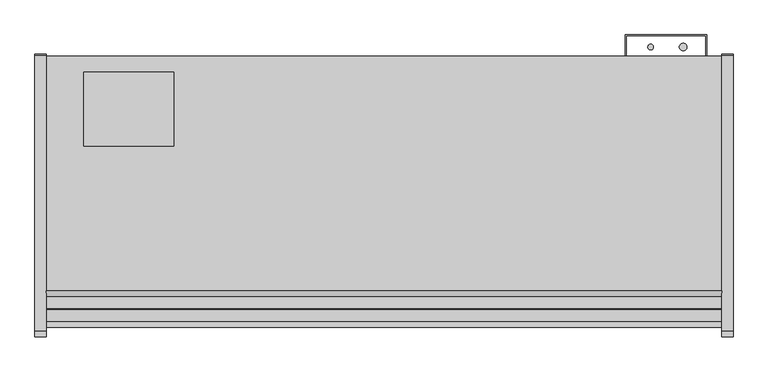
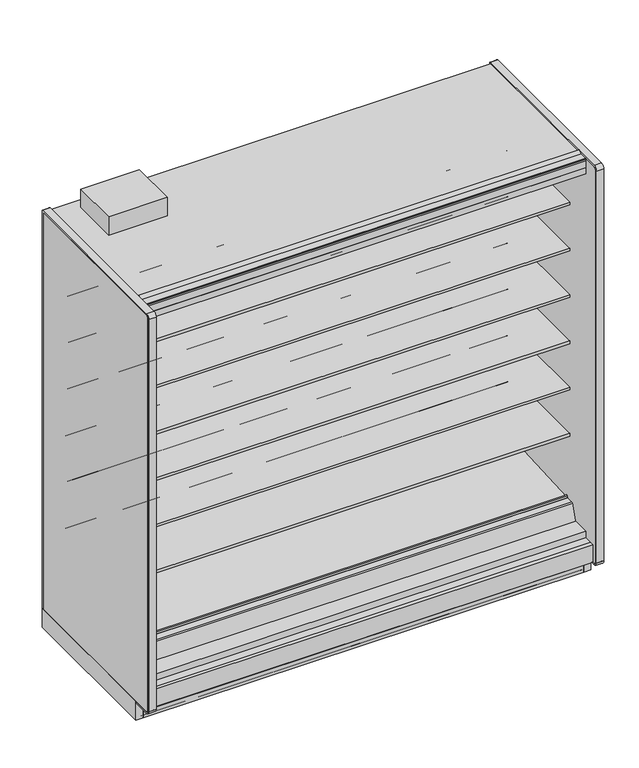
"""IFC4 building model written with IfcOpenShell, lengths in millimetres: proxy geometry."""

from ifc_helpers import new_model, si_unit, point, frame, frame_2d, origin, origin_with_axes, place, context, project, spatial, polyline, circle_curve, trimmed, segment, composite_curve, outline, extrude, source, transform, mapped, element, save
from ifc_brep_helpers import plane_surface, cylinder_surface, revolved_surface, advanced_brep


def mechanical_equipment_283d0d60(model_context):
    return source(origin(), model_context, "Body", "SolidModel", [
        advanced_brep(
        [(2286.0, -561.9634035, 344.1848334), (2286.0, -564.2429044, 345.4296812), (2286.0, -1026.8895371, 320.6518015), (2286.0, -1030.5933535, 323.8714799), (2286.0, -1031.0840219, 329.4798433), (2286.0, -1038.0719408, 329.6038293), (2286.0, -1036.3912863, 310.3938498), (2286.0, -1029.7331167, 304.6059909), (2286.0, -564.0987232, 329.0088554), (2286.0, -561.0984251, 332.412155), (0.0, -561.9634035, 344.1848334), (0.0, -561.0984251, 332.412155), (0.0, -564.0987232, 329.0088554), (0.0, -1029.7331167, 304.6059909), (0.0, -1036.3912863, 310.3938498), (0.0, -1038.0719408, 329.6038293), (0.0, -1031.1453592, 329.474477), (0.0, -1030.5933535, 323.8714799), (0.0, -1026.8895371, 320.6518015), (0.0, -564.2429044, 345.4296812)],
        [
            (0, 1, circle_curve(frame((2286.0, -564.1846976, 342.8267904), z_axis=(1.0, 0.0, 0.0), x_axis=(0.0, 1.0, 0.0)), 2.6035415)),
            (1, 2),
            (2, 3, circle_curve(frame((2286.0, -1027.074408, 324.1793478), z_axis=(-1.0, 0.0, 0.0), x_axis=(0.0, 1.0, 0.0)), 3.5323874)),
            (3, 4),
            (4, 5, circle_curve(frame((2286.0, -1034.6155275, 329.1708765), z_axis=(1.0, 0.0, 0.0), x_axis=(0.0, 1.0, 0.0)), 3.4834238)),
            (5, 6),
            (6, 7, circle_curve(frame((2286.0, -1030.06545, 310.9472884), z_axis=(1.0, 0.0, 0.0), x_axis=(0.0, 1.0, 0.0)), 6.35)),
            (7, 8),
            (8, 9, circle_curve(frame((2286.0, -564.2648898, 332.1795042), z_axis=(1.0, 0.0, 0.0), x_axis=(0.0, 1.0, 0.0)), 3.175)),
            (9, 0),
            (10, 11),
            (11, 12, circle_curve(frame((0.0, -564.2648898, 332.1795042), z_axis=(-1.0, 0.0, 0.0), x_axis=(0.0, 1.0, 0.0)), 3.175)),
            (12, 13),
            (13, 14, circle_curve(frame((0.0, -1030.06545, 310.9472884), z_axis=(-1.0, 0.0, 0.0), x_axis=(0.0, 1.0, 0.0)), 6.35)),
            (14, 15),
            (15, 16, circle_curve(frame((0.0, -1034.6155275, 329.1708765), z_axis=(-1.0, 0.0, 0.0), x_axis=(0.0, 1.0, 0.0)), 3.4834238)),
            (16, 17),
            (17, 18, circle_curve(frame((0.0, -1027.074408, 324.1793478), z_axis=(1.0, 0.0, 0.0), x_axis=(0.0, 1.0, 0.0)), 3.5323874)),
            (18, 19),
            (19, 10, circle_curve(frame((0.0, -564.1846976, 342.8267904), z_axis=(-1.0, 0.0, 0.0), x_axis=(0.0, 1.0, 0.0)), 2.6035415)),
            (0, 10),
            (19, 1),
            (18, 2),
            (17, 3),
            (16, 4),
            (15, 5),
            (14, 6),
            (13, 7),
            (12, 8),
            (11, 9),
        ],
        [
            plane_surface(frame((2286.0, -561.5811561, 342.8267904), z_axis=(1.0, 0.0, 0.0), x_axis=(0.0, 0.0, 1.0))),
            plane_surface(frame((0.0, -561.5811561, 342.8267904), z_axis=(-1.0, 0.0, 0.0), x_axis=(0.0, 0.0, -1.0))),
            cylinder_surface(frame((0.0, -564.1846976, 342.8267904), z_axis=(1.0, 0.0, 0.0), x_axis=(0.0, 1.0, 0.0)), 2.6035415),
            plane_surface(frame((2286.0, -564.2429044, 345.4296812), z_axis=(0.0, -0.05348016950002925, 0.9985689117283034), x_axis=(-1.0, 0.0, 0.0))),
            revolved_surface(polyline([(0.0, -1023.5420206, 324.1793478), (2286.0, -1023.5420206, 324.1793478)]), (0.0, -1027.074408, 324.1793478), (-1.0, 0.0, 0.0)),
            plane_surface(frame((2286.0, -1030.5933535, 323.8714799), z_axis=(0.0, 0.9961946955698885, 0.08715577157261226), x_axis=(-1.0, 0.0, 0.0))),
            cylinder_surface(frame((0.0, -1034.6155275, 329.1708765), z_axis=(1.0, 0.0, 0.0), x_axis=(0.0, 1.0, 0.0)), 3.4834238),
            plane_surface(frame((2286.0, -1038.0719408, 329.6038293), z_axis=(0.0, -0.9961947025639891, -0.08715569162966595), x_axis=(-1.0, 0.0, 0.0))),
            cylinder_surface(frame((0.0, -1030.06545, 310.9472884), z_axis=(1.0, 0.0, 0.0), x_axis=(0.0, 1.0, 0.0)), 6.35),
            plane_surface(frame((2286.0, -1029.7331167, 304.6059909), z_axis=(0.0, 0.05233595624301148, -0.9986295347545703), x_axis=(-1.0, 0.0, 0.0))),
            cylinder_surface(frame((0.0, -564.2648898, 332.1795042), z_axis=(1.0, 0.0, 0.0), x_axis=(0.0, 1.0, 0.0)), 3.175),
            plane_surface(frame((2286.0, -561.0984251, 332.412155), z_axis=(0.0, 0.9973117114183067, 0.07327585050948485), x_axis=(-1.0, 0.0, 0.0))),
        ],
        [
            (0, [[1, 2, 3, 4, 5, 6, 7, 8, 9, 10]]),
            (1, [[11, 12, 13, 14, 15, 16, 17, 18, 19, 20]]),
            (2, [[-1, 21, -20, 22]]),
            (3, [[-2, -22, -19, 23]]),
            (4, [[-3, -23, -18, 24]]),
            (5, [[-4, -24, -17, 25]]),
            (6, [[-5, -25, -16, 26]]),
            (7, [[-6, -26, -15, 27]]),
            (8, [[-7, -27, -14, 28]]),
            (9, [[-8, -28, -13, 29]]),
            (10, [[-9, -29, -12, 30]]),
            (11, [[-10, -30, -11, -21]]),
        ],
    ),
        extrude(outline(polyline([(0.0, -76.2), (0.0, 0.0), (2286.0, 0.0), (2286.0, -76.2), (0.0, -76.2)])), frame((2286.0, -1148.315718, 2172.3343709), z_axis=(0.0, 0.20791169081767066, 0.9781476007338246), x_axis=(-1.0, 0.0, 0.0)), (0.0, 0.0, 1.0), 12.7),
        extrude(outline(composite_curve([segment(polyline([(-450.7214273, 610.906076), (-468.9852913, 610.5955195)]), True, "CONTINUOUS"), segment(trimmed(circle_curve(frame_2d((-469.4171274, 635.9918483)), 25.4), [point((-468.9852913, 610.5955195))], [point((-485.3944836, 616.2463656))], False, "CARTESIAN"), True, "CONTINUOUS"), segment(polyline([(-485.3944836, 616.2463656), (-503.2465447, 630.6916311)]), True, "CONTINUOUS"), segment(trimmed(circle_curve(frame_2d((-543.1899354, 581.3279244)), 63.5), [point((-503.2465447, 630.6916311))], [point((-535.2920542, 644.3348563))], True, "CARTESIAN"), True, "CONTINUOUS"), segment(polyline([(-535.2920542, 644.3348563), (-749.7407218, 668.0319937), (-751.2294983, 671.4725458), (-1060.3214273, 671.4725458), (-1060.3214273, 685.6965458), (-450.7214273, 685.6965458), (-450.7214273, 610.906076)]), True, "CONTINUOUS")], self_intersect=False)), frame((0.0, 0.0, 0.0), z_axis=(1.0, 0.0, 0.0), x_axis=(0.0, 1.0, 0.0)), (0.0, 0.0, 1.0), 2286.0),
        extrude(outline(composite_curve([segment(polyline([(-450.7214273, 864.906076), (-468.9852913, 864.5955195)]), True, "CONTINUOUS"), segment(trimmed(circle_curve(frame_2d((-469.4171274, 889.9918483)), 25.4), [point((-468.9852913, 864.5955195))], [point((-485.3944836, 870.2463656))], False, "CARTESIAN"), True, "CONTINUOUS"), segment(polyline([(-485.3944836, 870.2463656), (-503.2465447, 884.6916311)]), True, "CONTINUOUS"), segment(trimmed(circle_curve(frame_2d((-543.1899354, 835.3279244)), 63.5), [point((-503.2465447, 884.6916311))], [point((-535.2920542, 898.3348563))], True, "CARTESIAN"), True, "CONTINUOUS"), segment(polyline([(-535.2920542, 898.3348563), (-749.7407218, 922.0319937), (-751.2294983, 925.4725458), (-1060.3214273, 925.4725458), (-1060.3214273, 939.6965458), (-450.7214273, 939.6965458), (-450.7214273, 864.906076)]), True, "CONTINUOUS")], self_intersect=False)), frame((0.0, 0.0, 0.0), z_axis=(1.0, 0.0, 0.0), x_axis=(0.0, 1.0, 0.0)), (0.0, 0.0, 1.0), 2286.0),
        extrude(outline(composite_curve([segment(polyline([(-450.7214273, 1118.906076), (-468.9852913, 1118.5955195)]), True, "CONTINUOUS"), segment(trimmed(circle_curve(frame_2d((-469.4171274, 1143.9918483)), 25.4), [point((-468.9852913, 1118.5955195))], [point((-485.3944836, 1124.2463656))], False, "CARTESIAN"), True, "CONTINUOUS"), segment(polyline([(-485.3944836, 1124.2463656), (-503.2465447, 1138.6916311)]), True, "CONTINUOUS"), segment(trimmed(circle_curve(frame_2d((-543.1899354, 1089.3279244)), 63.5), [point((-503.2465447, 1138.6916311))], [point((-535.2920542, 1152.3348563))], True, "CARTESIAN"), True, "CONTINUOUS"), segment(polyline([(-535.2920542, 1152.3348563), (-749.7407218, 1176.0319937), (-751.2294983, 1179.4725458), (-1060.3214273, 1179.4725458), (-1060.3214273, 1193.6965458), (-450.7214273, 1193.6965458), (-450.7214273, 1118.906076)]), True, "CONTINUOUS")], self_intersect=False)), frame((0.0, 0.0, 0.0), z_axis=(1.0, 0.0, 0.0), x_axis=(0.0, 1.0, 0.0)), (0.0, 0.0, 1.0), 2286.0),
        extrude(outline(composite_curve([segment(polyline([(-450.7214273, 1372.906076), (-468.9852913, 1372.5955195)]), True, "CONTINUOUS"), segment(trimmed(circle_curve(frame_2d((-469.4171274, 1397.9918483)), 25.4), [point((-468.9852913, 1372.5955195))], [point((-485.3944836, 1378.2463656))], False, "CARTESIAN"), True, "CONTINUOUS"), segment(polyline([(-485.3944836, 1378.2463656), (-503.2465447, 1392.6916311)]), True, "CONTINUOUS"), segment(trimmed(circle_curve(frame_2d((-543.1899354, 1343.3279244)), 63.5), [point((-503.2465447, 1392.6916311))], [point((-535.2920542, 1406.3348563))], True, "CARTESIAN"), True, "CONTINUOUS"), segment(polyline([(-535.2920542, 1406.3348563), (-749.7407218, 1430.0319937), (-751.2294983, 1433.4725458), (-1060.3214273, 1433.4725458), (-1060.3214273, 1447.6965458), (-450.7214273, 1447.6965458), (-450.7214273, 1372.906076)]), True, "CONTINUOUS")], self_intersect=False)), frame((0.0, 0.0, 0.0), z_axis=(1.0, 0.0, 0.0), x_axis=(0.0, 1.0, 0.0)), (0.0, 0.0, 1.0), 2286.0),
        extrude(outline(composite_curve([segment(polyline([(-450.7214273, 1626.906076), (-468.9852913, 1626.5955195)]), True, "CONTINUOUS"), segment(trimmed(circle_curve(frame_2d((-469.4171274, 1651.9918483)), 25.4), [point((-468.9852913, 1626.5955195))], [point((-485.3944836, 1632.2463656))], False, "CARTESIAN"), True, "CONTINUOUS"), segment(polyline([(-485.3944836, 1632.2463656), (-503.2465447, 1646.6916311)]), True, "CONTINUOUS"), segment(trimmed(circle_curve(frame_2d((-543.1899354, 1597.3279244)), 63.5), [point((-503.2465447, 1646.6916311))], [point((-535.2920542, 1660.3348563))], True, "CARTESIAN"), True, "CONTINUOUS"), segment(polyline([(-535.2920542, 1660.3348563), (-749.7407218, 1684.0319937), (-751.2294983, 1687.4725458), (-1060.3214273, 1687.4725458), (-1060.3214273, 1701.6965458), (-450.7214273, 1701.6965458), (-450.7214273, 1626.906076)]), True, "CONTINUOUS")], self_intersect=False)), frame((0.0, 0.0, 0.0), z_axis=(1.0, 0.0, 0.0), x_axis=(0.0, 1.0, 0.0)), (0.0, 0.0, 1.0), 2286.0),
        extrude(outline(composite_curve([segment(polyline([(-450.7214273, 1880.906076), (-468.9852913, 1880.5955195)]), True, "CONTINUOUS"), segment(trimmed(circle_curve(frame_2d((-469.4171274, 1905.9918483)), 25.4), [point((-468.9852913, 1880.5955195))], [point((-485.3944836, 1886.2463656))], False, "CARTESIAN"), True, "CONTINUOUS"), segment(polyline([(-485.3944836, 1886.2463656), (-503.2465447, 1900.6916311)]), True, "CONTINUOUS"), segment(trimmed(circle_curve(frame_2d((-543.1899354, 1851.3279244)), 63.5), [point((-503.2465447, 1900.6916311))], [point((-535.2920542, 1914.3348563))], True, "CARTESIAN"), True, "CONTINUOUS"), segment(polyline([(-535.2920542, 1914.3348563), (-749.7407218, 1938.0319937), (-751.2294983, 1941.4725458), (-1060.3214273, 1941.4725458), (-1060.3214273, 1955.6965458), (-450.7214273, 1955.6965458), (-450.7214273, 1880.906076)]), True, "CONTINUOUS")], self_intersect=False)), frame((0.0, 0.0, 0.0), z_axis=(1.0, 0.0, 0.0), x_axis=(0.0, 1.0, 0.0)), (0.0, 0.0, 1.0), 2286.0),
        extrude(outline(composite_curve([segment(polyline([(-399.4642273, 263.5334166), (-450.7214273, 263.5334166), (-450.7214273, 2180.7678), (-1054.683315, 2180.7678), (-1065.9723027, 2183.3740682), (-1068.4516793, 2171.7095186)]), True, "CONTINUOUS"), segment(trimmed(circle_curve(frame_2d((-1069.9423762, 2172.026376)), 1.524), [point((-1068.4516793, 2171.7095186))], [point((-1070.2592336, 2170.535679))], False, "CARTESIAN"), True, "CONTINUOUS"), segment(polyline([(-1070.2592336, 2170.535679), (-1146.9989273, 2186.8472045), (-1146.9989273, 2185.4610037)]), True, "CONTINUOUS"), segment(trimmed(circle_curve(frame_2d((-1149.3773343, 2185.6703219)), 2.3876), [point((-1146.9989273, 2185.4610037))], [point((-1149.3773343, 2183.2827219))], False, "CARTESIAN"), True, "CONTINUOUS"), segment(polyline([(-1149.3773343, 2183.2827219), (-1160.0080838, 2183.2827219), (-1160.0080838, 2198.5584119), (-1204.934197, 2198.5584119), (-1204.934197, 2231.5678), (-399.4642273, 2231.5678), (-399.4642273, 263.5334166)]), True, "CONTINUOUS")], self_intersect=False)), frame((0.0, 0.0, 0.0), z_axis=(1.0, 0.0, 0.0), x_axis=(0.0, 1.0, 0.0)), (0.0, 0.0, 1.0), 2286.0),
        extrude(outline(polyline([(-1184.0321273, 137.6211945), (-1168.9318273, 134.4868212), (-1168.9318273, 0.0), (-1184.0321273, 0.0), (-1184.0321273, 137.6211945)])), frame((0.0, 0.0, 0.0), z_axis=(1.0, 0.0, 0.0), x_axis=(0.0, 1.0, 0.0)), (0.0, 0.0, 1.0), 2286.0),
        extrude(outline(composite_curve([segment(polyline([(-1143.4147517, 2293.9163807), (-1142.8305517, 2292.9045166), (-1164.373752, 2280.4665441)]), True, "CONTINUOUS"), segment(trimmed(circle_curve(frame_2d((-1165.351652, 2282.1603166)), 1.9558), [point((-1164.373752, 2280.4665441))], [point((-1165.351652, 2280.2045166))], False, "CARTESIAN"), True, "CONTINUOUS"), segment(polyline([(-1165.351652, 2280.2045166), (-1204.146797, 2280.2045166)]), True, "CONTINUOUS"), segment(trimmed(circle_curve(frame_2d((-1204.146797, 2279.4171166)), 0.7874), [point((-1204.146797, 2280.2045166))], [point((-1204.934197, 2279.4171166))], True, "CARTESIAN"), True, "CONTINUOUS"), segment(polyline([(-1204.934197, 2279.4171166), (-1204.934197, 2271.1740275), (-1206.102597, 2271.1740275), (-1206.102597, 2279.4171166)]), True, "CONTINUOUS"), segment(trimmed(circle_curve(frame_2d((-1204.146797, 2279.4171166)), 1.9558), [point((-1206.102597, 2279.4171166))], [point((-1204.146797, 2281.3729166))], False, "CARTESIAN"), True, "CONTINUOUS"), segment(polyline([(-1204.146797, 2281.3729166), (-1165.8714792, 2281.3729166)]), True, "CONTINUOUS"), segment(trimmed(circle_curve(frame_2d((-1165.8714792, 2284.100338)), 2.7274214), [point((-1165.8714792, 2281.3729166))], [point((-1164.5077684, 2281.7383218))], True, "CARTESIAN"), True, "CONTINUOUS"), segment(polyline([(-1164.5077684, 2281.7383218), (-1143.4147517, 2293.9163807)]), True, "CONTINUOUS")], self_intersect=False)), frame((0.0, 0.0, 0.0), z_axis=(1.0, 0.0, 0.0), x_axis=(0.0, 1.0, 0.0)), (0.0, 0.0, 1.0), 2286.0),
        extrude(outline(composite_curve([segment(trimmed(circle_curve(frame_2d((-389.0756273, 5.1562)), 5.1562), [point((-389.0756273, 0.0))], [point((-394.2318273, 5.1562))], False, "CARTESIAN"), True, "CONTINUOUS"), segment(polyline([(-394.2318273, 5.1562), (-394.2318273, 20.5359)]), True, "CONTINUOUS"), segment(trimmed(circle_curve(frame_2d((-396.6194273, 20.5359)), 2.3876), [point((-394.2318273, 20.5359))], [point((-396.6194273, 22.9235))], True, "CARTESIAN"), True, "CONTINUOUS"), segment(polyline([(-396.6194273, 22.9235), (-407.8462273, 22.9235)]), True, "CONTINUOUS"), segment(trimmed(circle_curve(frame_2d((-407.8462273, 20.5359)), 2.3876), [point((-407.8462273, 22.9235))], [point((-410.2338273, 20.5359))], True, "CARTESIAN"), True, "CONTINUOUS"), segment(polyline([(-410.2338273, 20.5359), (-410.2338273, 5.1054), (-413.0024273, 5.1054), (-413.0024273, 20.5359)]), True, "CONTINUOUS"), segment(trimmed(circle_curve(frame_2d((-407.8462273, 20.5359)), 5.1562), [point((-413.0024273, 20.5359))], [point((-407.8462273, 25.6921))], False, "CARTESIAN"), True, "CONTINUOUS"), segment(polyline([(-407.8462273, 25.6921), (-396.6194273, 25.6921)]), True, "CONTINUOUS"), segment(trimmed(circle_curve(frame_2d((-396.6194273, 20.5359)), 5.1562), [point((-396.6194273, 25.6921))], [point((-391.4632273, 20.5359))], False, "CARTESIAN"), True, "CONTINUOUS"), segment(polyline([(-391.4632273, 20.5359), (-391.4632273, 5.1562)]), True, "CONTINUOUS"), segment(trimmed(circle_curve(frame_2d((-389.0756273, 5.1562)), 2.3876), [point((-391.4632273, 5.1562))], [point((-389.0756273, 2.7686))], True, "CARTESIAN"), True, "CONTINUOUS"), segment(polyline([(-389.0756273, 2.7686), (-354.1633273, 2.7686)]), True, "CONTINUOUS"), segment(trimmed(circle_curve(frame_2d((-354.1633273, 5.1562)), 2.3876), [point((-354.1633273, 2.7686))], [point((-351.7757273, 5.1562))], True, "CARTESIAN"), True, "CONTINUOUS"), segment(polyline([(-351.7757273, 5.1562), (-351.7757273, 24.892), (-349.0071273, 24.892), (-349.0071273, 5.1562)]), True, "CONTINUOUS"), segment(trimmed(circle_curve(frame_2d((-354.1633273, 5.1562)), 5.1562), [point((-349.0071273, 5.1562))], [point((-354.1633273, 0.0))], False, "CARTESIAN"), True, "CONTINUOUS"), segment(polyline([(-354.1633273, 0.0), (-389.0756273, 0.0)]), True, "CONTINUOUS")], self_intersect=False)), frame((0.0, 0.0, 0.0), z_axis=(1.0, 0.0, 0.0), x_axis=(0.0, 1.0, 0.0)), (0.0, 0.0, 1.0), 2286.0),
        extrude(outline(polyline([(431.8, -402.5757273), (431.8, -653.4642273), (127.0, -653.4642273), (127.0, -402.5757273), (431.8, -402.5757273)])), frame((0.0, 0.0, 2283.6853727), z_axis=(0.0, 0.0, 1.0), x_axis=(1.0, 0.0, 0.0)), (0.0, 0.0, 1.0), 100.7396273),
        extrude(outline(composite_curve([segment(trimmed(circle_curve(frame_2d((2155.1930803, -317.2571273)), 12.7), [point((2142.4930803, -317.2571273))], [point((2167.8930803, -317.2571273))], False, "CARTESIAN"), True, "CONTINUOUS"), segment(trimmed(circle_curve(frame_2d((2155.1930803, -317.2571273)), 12.7), [point((2167.8930803, -317.2571273))], [point((2142.4930803, -317.2571273))], False, "CARTESIAN"), True, "CONTINUOUS")], self_intersect=False)), frame((0.0, 0.0, 1447.6965458), z_axis=(0.0, 0.0, 1.0), x_axis=(1.0, 0.0, 0.0)), (0.0, 0.0, 1.0), 508.0),
        extrude(outline(composite_curve([segment(trimmed(circle_curve(frame_2d((2045.2004524, -317.2571273)), 9.525), [point((2035.6754524, -317.2571273))], [point((2054.7254524, -317.2571273))], False, "CARTESIAN"), True, "CONTINUOUS"), segment(trimmed(circle_curve(frame_2d((2045.2004524, -317.2571273)), 9.525), [point((2054.7254524, -317.2571273))], [point((2035.6754524, -317.2571273))], False, "CARTESIAN"), True, "CONTINUOUS")], self_intersect=False)), frame((0.0, 0.0, 1447.6965458), z_axis=(0.0, 0.0, 1.0), x_axis=(1.0, 0.0, 0.0)), (0.0, 0.0, 1.0), 508.0),
        extrude(outline(composite_curve([segment(trimmed(circle_curve(frame_2d((2146.8004524, -526.8071273)), 9.525), [point((2137.2754524, -526.8071273))], [point((2156.3254524, -526.8071273))], False, "CARTESIAN"), True, "CONTINUOUS"), segment(trimmed(circle_curve(frame_2d((2146.8004524, -526.8071273)), 9.525), [point((2156.3254524, -526.8071273))], [point((2137.2754524, -526.8071273))], False, "CARTESIAN"), True, "CONTINUOUS")], self_intersect=False)), frame((0.0, 0.0, 57.8450688), z_axis=(0.0, 0.0, 1.0), x_axis=(1.0, 0.0, 0.0)), (0.0, 0.0, 1.0), 47.3172812),
        extrude(outline(composite_curve([segment(trimmed(circle_curve(frame_2d((2193.2930803, -526.8071273)), 12.7), [point((2180.5930803, -526.8071273))], [point((2205.9930803, -526.8071273))], False, "CARTESIAN"), True, "CONTINUOUS"), segment(trimmed(circle_curve(frame_2d((2193.2930803, -526.8071273)), 12.7), [point((2205.9930803, -526.8071273))], [point((2180.5930803, -526.8071273))], False, "CARTESIAN"), True, "CONTINUOUS")], self_intersect=False)), frame((0.0, 0.0, 57.8450688), z_axis=(0.0, 0.0, 1.0), x_axis=(1.0, 0.0, 0.0)), (0.0, 0.0, 1.0), 47.3172812),
        advanced_brep(
        [(2286.0, -351.7757273, 5.1562), (2286.0, -351.7757273, 102.030341), (2286.0, -354.5203863, 104.775), (2286.0, -1016.877197, 104.775), (2286.0, -1020.1132273, 101.5389697), (2286.0, -1020.1132273, 5.1562), (2286.0, -1017.7256273, 2.7686), (2286.0, -985.1882273, 2.7686), (2286.0, -985.1882273, 44.45), (2286.0, -386.7007273, 44.45), (2286.0, -386.7007273, 2.7686), (2286.0, -354.1633273, 2.7686), (0.0, -351.7757273, 5.1562), (0.0, -354.1633273, 2.7686), (0.0, -386.7007273, 2.7686), (0.0, -386.7007273, 44.45), (0.0, -985.1882273, 44.45), (0.0, -985.1882273, 2.7686), (0.0, -1017.7256273, 2.7686), (0.0, -1020.1132273, 5.1562), (0.0, -1020.1132273, 101.5389697), (0.0, -1016.877197, 104.775), (0.0, -354.5203863, 104.775), (0.0, -351.7757273, 102.030341), (1193.8, -945.9071273, 104.775), (1092.2, -945.9071273, 104.775), (2222.5, -526.8071273, 104.775), (2120.9, -526.8071273, 104.775), (2120.9, -526.8071273, 44.45), (2222.5, -526.8071273, 44.45), (1092.2, -945.9071273, 70.23735), (1193.8, -945.9071273, 70.23735)],
        [
            (0, 1),
            (1, 2, circle_curve(frame((2286.0, -354.5203863, 102.030341), z_axis=(1.0, 0.0, 0.0), x_axis=(0.0, 1.0, 0.0)), 2.744659)),
            (2, 3),
            (3, 4, circle_curve(frame((2286.0, -1016.877197, 101.5389697), z_axis=(1.0, 0.0, 0.0), x_axis=(0.0, 1.0, 0.0)), 3.2360303)),
            (4, 5),
            (5, 6, circle_curve(frame((2286.0, -1017.7256273, 5.1562), z_axis=(1.0, 0.0, 0.0), x_axis=(0.0, 1.0, 0.0)), 2.3876)),
            (6, 7),
            (7, 8),
            (8, 9),
            (9, 10),
            (10, 11),
            (11, 0, circle_curve(frame((2286.0, -354.1633273, 5.1562), z_axis=(1.0, 0.0, 0.0), x_axis=(0.0, 1.0, 0.0)), 2.3876)),
            (12, 13, circle_curve(frame((0.0, -354.1633273, 5.1562), z_axis=(-1.0, 0.0, 0.0), x_axis=(0.0, 1.0, 0.0)), 2.3876)),
            (13, 14),
            (14, 15),
            (15, 16),
            (16, 17),
            (17, 18),
            (18, 19, circle_curve(frame((0.0, -1017.7256273, 5.1562), z_axis=(-1.0, 0.0, 0.0), x_axis=(0.0, 1.0, 0.0)), 2.3876)),
            (19, 20),
            (20, 21, circle_curve(frame((0.0, -1016.877197, 101.5389697), z_axis=(-1.0, 0.0, 0.0), x_axis=(0.0, 1.0, 0.0)), 3.2360303)),
            (21, 22),
            (22, 23, circle_curve(frame((0.0, -354.5203863, 102.030341), z_axis=(-1.0, 0.0, 0.0), x_axis=(0.0, 1.0, 0.0)), 2.744659)),
            (23, 12),
            (0, 12),
            (23, 1),
            (22, 2),
            (21, 3),
            (24, 25, circle_curve(frame((1143.0, -945.9071273, 104.775), z_axis=(0.0, 0.0, -1.0), x_axis=(1.0, 0.0, 0.0)), 50.8)),
            (25, 24, circle_curve(frame((1143.0, -945.9071273, 104.775), z_axis=(0.0, 0.0, -1.0), x_axis=(1.0, 0.0, 0.0)), 50.8)),
            (26, 27, circle_curve(frame((2171.7, -526.8071273, 104.775), z_axis=(0.0, 0.0, -1.0), x_axis=(1.0, 0.0, 0.0)), 50.8)),
            (27, 26, circle_curve(frame((2171.7, -526.8071273, 104.775), z_axis=(0.0, 0.0, -1.0), x_axis=(1.0, 0.0, 0.0)), 50.8)),
            (20, 4),
            (19, 5),
            (18, 6),
            (17, 7),
            (16, 8),
            (15, 9),
            (28, 29, circle_curve(frame((2171.7, -526.8071273, 44.45), z_axis=(0.0, 0.0, 1.0), x_axis=(1.0, 0.0, 0.0)), 50.8)),
            (29, 28, circle_curve(frame((2171.7, -526.8071273, 44.45), z_axis=(0.0, 0.0, 1.0), x_axis=(1.0, 0.0, 0.0)), 50.8)),
            (14, 10),
            (13, 11),
            (30, 31, circle_curve(frame((1143.0, -945.9071273, 70.23735), z_axis=(0.0, 0.0, 1.0), x_axis=(1.0, 0.0, 0.0)), 50.8)),
            (31, 30, circle_curve(frame((1143.0, -945.9071273, 70.23735), z_axis=(0.0, 0.0, 1.0), x_axis=(1.0, 0.0, 0.0)), 50.8)),
            (30, 25),
            (24, 31),
            (28, 27),
            (26, 29),
        ],
        [
            plane_surface(frame((2286.0, -351.7757273, 124.7613392), z_axis=(1.0, 0.0, 0.0), x_axis=(0.0, 0.0, 1.0))),
            plane_surface(frame((0.0, -351.7757273, 124.7613392), z_axis=(-1.0, 0.0, 0.0), x_axis=(0.0, 0.0, -1.0))),
            plane_surface(frame((2286.0, -351.7757273, 5.1562), z_axis=(0.0, 1.0, 0.0), x_axis=(-1.0, 0.0, 0.0))),
            cylinder_surface(frame((0.0, -354.5203863, 102.030341), z_axis=(1.0, 0.0, 0.0), x_axis=(0.0, 1.0, 0.0)), 2.744659),
            plane_surface(frame((2286.0, -354.5203863, 104.775), z_axis=(0.0, 0.0, 1.0), x_axis=(-1.0, 0.0, 0.0))),
            cylinder_surface(frame((0.0, -1016.877197, 101.5389697), z_axis=(1.0, 0.0, 0.0), x_axis=(0.0, 1.0, 0.0)), 3.2360303),
            plane_surface(frame((2286.0, -1020.1132273, 101.5389697), z_axis=(0.0, -1.0, 0.0), x_axis=(-1.0, 0.0, 0.0))),
            cylinder_surface(frame((0.0, -1017.7256273, 5.1562), z_axis=(1.0, 0.0, 0.0), x_axis=(0.0, 1.0, 0.0)), 2.3876),
            plane_surface(frame((2286.0, -1017.7256273, 2.7686), z_axis=(0.0, 0.0, -1.0), x_axis=(-1.0, 0.0, 0.0))),
            plane_surface(frame((2286.0, -985.1882273, 2.7686), z_axis=(0.0, 1.0, 0.0), x_axis=(-1.0, 0.0, 0.0))),
            plane_surface(frame((2286.0, -985.1882273, 44.45), z_axis=(0.0, 0.0, -1.0), x_axis=(-1.0, 0.0, 0.0))),
            plane_surface(frame((2286.0, -386.7007273, 44.45), z_axis=(0.0, -1.0, 0.0), x_axis=(-1.0, 0.0, 0.0))),
            plane_surface(frame((2286.0, -386.7007273, 2.7686), z_axis=(0.0, 0.0, -1.0), x_axis=(-1.0, 0.0, 0.0))),
            cylinder_surface(frame((0.0, -354.1633273, 5.1562), z_axis=(1.0, 0.0, 0.0), x_axis=(0.0, 1.0, 0.0)), 2.3876),
            plane_surface(frame((1193.8, -945.9071273, 70.23735), z_axis=(0.0, 0.0, 1.0), x_axis=(0.0, -1.0, 0.0))),
            revolved_surface(polyline([(1193.8, -945.9071273, 104.775), (1193.8, -945.9071273, 70.23735)]), (1143.0, -945.9071273, 70.23735), (0.0, 0.0, 1.0)),
            revolved_surface(polyline([(2222.5, -526.8071273, 104.775), (2222.5, -526.8071273, 44.45)]), (2171.7, -526.8071273, 0.0), (0.0, 0.0, 1.0)),
        ],
        [
            (0, [[1, 2, 3, 4, 5, 6, 7, 8, 9, 10, 11, 12]]),
            (1, [[13, 14, 15, 16, 17, 18, 19, 20, 21, 22, 23, 24]]),
            (2, [[-1, 25, -24, 26]]),
            (3, [[-2, -26, -23, 27]]),
            (4, [[-3, -27, -22, 28], [29, 30], [31, 32]]),
            (5, [[-4, -28, -21, 33]]),
            (6, [[-5, -33, -20, 34]]),
            (7, [[-6, -34, -19, 35]]),
            (8, [[-7, -35, -18, 36]]),
            (9, [[-8, -36, -17, 37]]),
            (10, [[-9, -37, -16, 38], [39, 40]]),
            (11, [[-10, -38, -15, 41]]),
            (12, [[-11, -41, -14, 42]]),
            (13, [[-12, -42, -13, -25]]),
            (14, [[43, 44]]),
            (15, [[-43, 45, -29, 46]]),
            (15, [[-44, -46, -30, -45]]),
            (16, [[47, -31, 48, -39]]),
            (16, [[-47, -40, -48, -32]]),
        ],
    ),
        extrude(outline(composite_curve([segment(polyline([(-982.8133273, 0.0), (-1017.7256273, 0.0)]), True, "CONTINUOUS"), segment(trimmed(circle_curve(frame_2d((-1017.7256273, 5.1562)), 5.1562), [point((-1017.7256273, 0.0))], [point((-1022.8818273, 5.1562))], False, "CARTESIAN"), True, "CONTINUOUS"), segment(polyline([(-1022.8818273, 5.1562), (-1022.8818273, 24.892), (-1020.1132273, 24.892), (-1020.1132273, 5.1562)]), True, "CONTINUOUS"), segment(trimmed(circle_curve(frame_2d((-1017.7256273, 5.1562)), 2.3876), [point((-1020.1132273, 5.1562))], [point((-1017.7256273, 2.7686))], True, "CARTESIAN"), True, "CONTINUOUS"), segment(polyline([(-1017.7256273, 2.7686), (-982.8133273, 2.7686)]), True, "CONTINUOUS"), segment(trimmed(circle_curve(frame_2d((-982.8133273, 5.1562)), 2.3876), [point((-982.8133273, 2.7686))], [point((-980.4257273, 5.1562))], True, "CARTESIAN"), True, "CONTINUOUS"), segment(polyline([(-980.4257273, 5.1562), (-980.4257273, 20.5359)]), True, "CONTINUOUS"), segment(trimmed(circle_curve(frame_2d((-975.2695273, 20.5359)), 5.1562), [point((-980.4257273, 20.5359))], [point((-975.2695273, 25.6921))], False, "CARTESIAN"), True, "CONTINUOUS"), segment(polyline([(-975.2695273, 25.6921), (-964.0427273, 25.6921)]), True, "CONTINUOUS"), segment(trimmed(circle_curve(frame_2d((-964.0427273, 20.5359)), 5.1562), [point((-964.0427273, 25.6921))], [point((-958.8865273, 20.5359))], False, "CARTESIAN"), True, "CONTINUOUS"), segment(polyline([(-958.8865273, 20.5359), (-958.8865273, 5.1054), (-961.6551273, 5.1054), (-961.6551273, 20.5359)]), True, "CONTINUOUS"), segment(trimmed(circle_curve(frame_2d((-964.0427273, 20.5359)), 2.3876), [point((-961.6551273, 20.5359))], [point((-964.0427273, 22.9235))], True, "CARTESIAN"), True, "CONTINUOUS"), segment(polyline([(-964.0427273, 22.9235), (-975.2695273, 22.9235)]), True, "CONTINUOUS"), segment(trimmed(circle_curve(frame_2d((-975.2695273, 20.5359)), 2.3876), [point((-975.2695273, 22.9235))], [point((-977.6571273, 20.5359))], True, "CARTESIAN"), True, "CONTINUOUS"), segment(polyline([(-977.6571273, 20.5359), (-977.6571273, 5.1562)]), True, "CONTINUOUS"), segment(trimmed(circle_curve(frame_2d((-982.8133273, 5.1562)), 5.1562), [point((-977.6571273, 5.1562))], [point((-982.8133273, 0.0))], False, "CARTESIAN"), True, "CONTINUOUS")], self_intersect=False)), frame((0.0, 0.0, 0.0), z_axis=(1.0, 0.0, 0.0), x_axis=(0.0, 1.0, 0.0)), (0.0, 0.0, 1.0), 2286.0),
        extrude(outline(polyline([(2324.1, -341.3672835), (2324.1, -1184.0321273), (2286.0, -1184.0321273), (2286.0, -341.3672835), (2324.1, -341.3672835)])), origin_with_axes(), (0.0, 0.0, 1.0), 105.16235),
        extrude(outline(polyline([(0.0, -341.3672835), (0.0, -1184.0321273), (-38.1, -1184.0321273), (-38.1, -341.3672835), (0.0, -341.3672835)])), origin_with_axes(), (0.0, 0.0, 1.0), 105.16235),
        extrude(outline(polyline([(1958.975, -349.0071273), (1958.975, -275.9821273), (2235.2, -275.9821273), (2235.2, -349.0071273), (2232.025, -349.0071273), (2232.025, -279.1571273), (1962.15, -279.1571273), (1962.15, -349.0071273), (1958.975, -349.0071273)])), frame((0.0, 0.0, 304.927), z_axis=(0.0, 0.0, 1.0), x_axis=(1.0, 0.0, 0.0)), (0.0, 0.0, 1.0), 1523.3666145),
        extrude(outline(composite_curve([segment(polyline([(-1204.934197, 2231.5678), (-1204.934197, 2282.0376)]), True, "CONTINUOUS"), segment(trimmed(circle_curve(frame_2d((-1204.146797, 2282.0376)), 0.7874), [point((-1204.934197, 2282.0376))], [point((-1204.146797, 2282.825))], False, "CARTESIAN"), True, "CONTINUOUS"), segment(polyline([(-1204.146797, 2282.825), (-349.0071273, 2282.825), (-349.0071273, 105.16235), (-1245.5001273, 105.16235), (-1245.5001273, 201.2766923), (-1204.9341969, 201.2766923), (-1204.9341969, 141.9598426), (-1119.8033151, 124.2892029), (-399.4642273, 162.0405748), (-399.4642273, 2231.5678), (-1204.934197, 2231.5678)]), True, "CONTINUOUS")], self_intersect=False)), frame((0.0, 0.0, 0.0), z_axis=(1.0, 0.0, 0.0), x_axis=(0.0, 1.0, 0.0)), (0.0, 0.0, 1.0), 2286.0),
        extrude(outline(composite_curve([segment(polyline([(-1254.0726273, 103.4174079), (-1265.1216273, 103.4174079)]), True, "CONTINUOUS"), segment(trimmed(circle_curve(frame_2d((-1265.1216273, 105.0684079)), 1.651), [point((-1265.1216273, 103.4174079))], [point((-1266.7726273, 105.0684079))], False, "CARTESIAN"), True, "CONTINUOUS"), segment(polyline([(-1266.7726273, 105.0684079), (-1266.7726273, 201.2766923), (-1245.5001273, 201.2766923), (-1245.5001273, 104.8779079), (-1254.0726273, 104.8779079), (-1254.0726273, 103.4174079)]), True, "CONTINUOUS")], self_intersect=False)), frame((0.0, 0.0, 0.0), z_axis=(1.0, 0.0, 0.0), x_axis=(0.0, 1.0, 0.0)), (0.0, 0.0, 1.0), 2286.0),
        extrude(outline(composite_curve([segment(polyline([(-1204.9341969, 236.2009548), (-1112.2655229, 236.2009548), (-1085.4840574, 317.0386194)]), True, "CONTINUOUS"), segment(trimmed(circle_curve(frame_2d((-1079.4562504, 315.0416109)), 6.35), [point((-1085.4840574, 317.0386194))], [point((-1079.4562504, 321.3916109))], False, "CARTESIAN"), True, "CONTINUOUS"), segment(polyline([(-1079.4562504, 321.3916109), (-1042.3265632, 321.3916109)]), True, "CONTINUOUS"), segment(trimmed(circle_curve(frame_2d((-1042.3265632, 317.161475)), 4.2301359), [point((-1042.3265632, 321.3916109))], [point((-1038.0964273, 317.161475))], False, "CARTESIAN"), True, "CONTINUOUS"), segment(polyline([(-1038.0964273, 317.161475), (-1038.0964273, 302.496991), (-560.550461, 327.5241146), (-560.9721481, 339.5996547)]), True, "CONTINUOUS"), segment(trimmed(circle_curve(frame_2d((-556.4536725, 339.7574433)), 4.5212298), [point((-560.9721481, 339.5996547))], [point((-556.6114611, 344.2759189))], False, "CARTESIAN"), True, "CONTINUOUS"), segment(polyline([(-556.6114611, 344.2759189), (-470.5298654, 347.2819545)]), True, "CONTINUOUS"), segment(trimmed(circle_curve(frame_2d((-470.5794425, 348.7016581)), 1.420569), [point((-470.5298654, 347.2819545))], [point((-469.1597389, 348.7512352))], True, "CARTESIAN"), True, "CONTINUOUS"), segment(polyline([(-469.1597389, 348.7512352), (-469.2184151, 350.4315015)]), True, "CONTINUOUS"), segment(trimmed(circle_curve(frame_2d((-467.1682375, 350.5030952)), 2.0514273), [point((-469.2184151, 350.4315015))], [point((-467.5303136, 352.5223166))], False, "CARTESIAN"), True, "CONTINUOUS"), segment(polyline([(-467.5303136, 352.5223166), (-450.7214273, 352.5223166), (-450.7214273, 263.5334166), (-399.4642273, 263.5334166), (-399.4642273, 162.0405748), (-1119.8033151, 124.2892029), (-1204.9341969, 141.9598426), (-1204.9341969, 236.2009548)]), True, "CONTINUOUS")], self_intersect=False)), frame((0.0, 0.0, 0.0), z_axis=(1.0, 0.0, 0.0), x_axis=(0.0, 1.0, 0.0)), (0.0, 0.0, 1.0), 2286.0),
        extrude(outline(composite_curve([segment(polyline([(-1018.5257273, 55.1029387), (-1024.5582273, 55.1180957), (-1024.5582273, -0.0063699), (-1163.8777056, 0.0051706)]), True, "CONTINUOUS"), segment(trimmed(circle_curve(frame_2d((-1163.8772869, 5.059711)), 5.0545404), [point((-1163.8777056, 0.0051706))], [point((-1168.9318273, 5.059711))], False, "CARTESIAN"), True, "CONTINUOUS"), segment(polyline([(-1168.9318273, 5.059711), (-1168.9318273, 134.4868212), (-1119.8033151, 124.2892029), (-1018.5257273, 129.5969363), (-1018.5257273, 55.1029387)]), True, "CONTINUOUS")], self_intersect=False)), frame((0.0, 0.0, 0.0), z_axis=(1.0, 0.0, 0.0), x_axis=(0.0, 1.0, 0.0)), (0.0, 0.0, 1.0), 2286.0),
        extrude(outline(composite_curve([segment(trimmed(circle_curve(frame_2d((1143.0, -945.9071273)), 38.1), [point((1104.9, -945.9071273))], [point((1181.1, -945.9071273))], False, "CARTESIAN"), True, "CONTINUOUS"), segment(trimmed(circle_curve(frame_2d((1143.0, -945.9071273)), 38.1), [point((1181.1, -945.9071273))], [point((1104.9, -945.9071273))], False, "CARTESIAN"), True, "CONTINUOUS")], self_intersect=False)), frame((0.0, 0.0, 57.8450688), z_axis=(0.0, 0.0, 1.0), x_axis=(1.0, 0.0, 0.0)), (0.0, 0.0, 1.0), 47.3172812),
        extrude(outline(polyline([(114.3, -411.7999572), (114.3, -462.5999572), (0.0, -462.5999572), (0.0, -411.7999572), (114.3, -411.7999572)])), frame((0.0, 0.0, 63.88735), z_axis=(0.0, 0.0, 1.0), x_axis=(1.0, 0.0, 0.0)), (0.0, 0.0, 1.0), 6.35),
        extrude(outline(composite_curve([segment(trimmed(circle_curve(frame_2d((-1279.2821273, 2270.125)), 12.7), [point((-1279.2821273, 2282.825))], [point((-1291.9821273, 2270.125))], True, "CARTESIAN"), True, "CONTINUOUS"), segment(polyline([(-1291.9821273, 2270.125), (-1291.9821273, 117.86235)]), True, "CONTINUOUS"), segment(trimmed(circle_curve(frame_2d((-1279.2821273, 117.86235)), 12.7), [point((-1291.9821273, 117.86235))], [point((-1279.2821273, 105.16235))], True, "CARTESIAN"), True, "CONTINUOUS"), segment(polyline([(-1279.2821273, 105.16235), (-1184.0321273, 105.16235), (-1184.0321273, 97.5225063), (-1279.2821273, 97.5225063)]), True, "CONTINUOUS"), segment(trimmed(circle_curve(frame_2d((-1279.2821273, 117.86235)), 20.3398438), [point((-1279.2821273, 97.5225063))], [point((-1299.621971, 117.86235))], False, "CARTESIAN"), True, "CONTINUOUS"), segment(polyline([(-1299.621971, 117.86235), (-1299.621971, 2270.125)]), True, "CONTINUOUS"), segment(trimmed(circle_curve(frame_2d((-1279.2821273, 2270.125)), 20.3398437), [point((-1299.621971, 2270.125))], [point((-1279.2821273, 2290.4648438))], False, "CARTESIAN"), True, "CONTINUOUS"), segment(polyline([(-1279.2821273, 2290.4648438), (-345.8197692, 2290.4648438)]), True, "CONTINUOUS"), segment(trimmed(circle_curve(frame_2d((-345.8197692, 2286.0123581)), 4.4524857), [point((-345.8197692, 2290.4648438))], [point((-341.3672835, 2286.0123581))], False, "CARTESIAN"), True, "CONTINUOUS"), segment(polyline([(-341.3672835, 2286.0123581), (-341.3672835, 105.16235), (-349.0071273, 105.16235), (-349.0071273, 2282.825), (-1279.2821273, 2282.825)]), True, "CONTINUOUS")], self_intersect=False)), frame((2286.0, 0.0, 0.0), z_axis=(1.0, 0.0, 0.0), x_axis=(0.0, 1.0, 0.0)), (0.0, 0.0, 1.0), 38.1),
        extrude(outline(composite_curve([segment(polyline([(-1279.2821273, 2282.825), (-349.0071273, 2282.825), (-349.0071273, 105.16235), (-1279.2821273, 105.16235)]), True, "CONTINUOUS"), segment(trimmed(circle_curve(frame_2d((-1279.2821273, 117.86235)), 12.7), [point((-1279.2821273, 105.16235))], [point((-1291.9821273, 117.86235))], False, "CARTESIAN"), True, "CONTINUOUS"), segment(polyline([(-1291.9821273, 117.86235), (-1291.9821273, 2270.125)]), True, "CONTINUOUS"), segment(trimmed(circle_curve(frame_2d((-1279.2821273, 2270.125)), 12.7), [point((-1291.9821273, 2270.125))], [point((-1279.2821273, 2282.825))], False, "CARTESIAN"), True, "CONTINUOUS")], self_intersect=False)), frame((2286.0, 0.0, 0.0), z_axis=(1.0, 0.0, 0.0), x_axis=(0.0, 1.0, 0.0)), (0.0, 0.0, 1.0), 38.1),
        extrude(outline(composite_curve([segment(trimmed(circle_curve(frame_2d((-1279.2821273, 2270.125)), 12.7), [point((-1279.2821273, 2282.825))], [point((-1291.9821273, 2270.125))], True, "CARTESIAN"), True, "CONTINUOUS"), segment(polyline([(-1291.9821273, 2270.125), (-1291.9821273, 117.86235)]), True, "CONTINUOUS"), segment(trimmed(circle_curve(frame_2d((-1279.2821273, 117.86235)), 12.7), [point((-1291.9821273, 117.86235))], [point((-1279.2821273, 105.16235))], True, "CARTESIAN"), True, "CONTINUOUS"), segment(polyline([(-1279.2821273, 105.16235), (-1184.0321273, 105.16235), (-1184.0321273, 97.5225063), (-1279.2821273, 97.5225063)]), True, "CONTINUOUS"), segment(trimmed(circle_curve(frame_2d((-1279.2821273, 117.86235)), 20.3398438), [point((-1279.2821273, 97.5225063))], [point((-1299.621971, 117.86235))], False, "CARTESIAN"), True, "CONTINUOUS"), segment(polyline([(-1299.621971, 117.86235), (-1299.621971, 2270.125)]), True, "CONTINUOUS"), segment(trimmed(circle_curve(frame_2d((-1279.2821273, 2270.125)), 20.3398437), [point((-1299.621971, 2270.125))], [point((-1279.2821273, 2290.4648438))], False, "CARTESIAN"), True, "CONTINUOUS"), segment(polyline([(-1279.2821273, 2290.4648438), (-345.8197692, 2290.4648438)]), True, "CONTINUOUS"), segment(trimmed(circle_curve(frame_2d((-345.8197692, 2286.0123581)), 4.4524857), [point((-345.8197692, 2290.4648438))], [point((-341.3672835, 2286.0123581))], False, "CARTESIAN"), True, "CONTINUOUS"), segment(polyline([(-341.3672835, 2286.0123581), (-341.3672835, 105.16235), (-349.0071273, 105.16235), (-349.0071273, 2282.825), (-1279.2821273, 2282.825)]), True, "CONTINUOUS")], self_intersect=False)), frame((-38.1, 0.0, 0.0), z_axis=(1.0, 0.0, 0.0), x_axis=(0.0, 1.0, 0.0)), (0.0, 0.0, 1.0), 38.1),
        extrude(outline(composite_curve([segment(polyline([(-1279.2821273, 2282.825), (-349.0071273, 2282.825), (-349.0071273, 105.16235), (-1279.2821273, 105.16235)]), True, "CONTINUOUS"), segment(trimmed(circle_curve(frame_2d((-1279.2821273, 117.86235)), 12.7), [point((-1279.2821273, 105.16235))], [point((-1291.9821273, 117.86235))], False, "CARTESIAN"), True, "CONTINUOUS"), segment(polyline([(-1291.9821273, 117.86235), (-1291.9821273, 2270.125)]), True, "CONTINUOUS"), segment(trimmed(circle_curve(frame_2d((-1279.2821273, 2270.125)), 12.7), [point((-1291.9821273, 2270.125))], [point((-1279.2821273, 2282.825))], False, "CARTESIAN"), True, "CONTINUOUS")], self_intersect=False)), frame((-38.1, 0.0, 0.0), z_axis=(1.0, 0.0, 0.0), x_axis=(0.0, 1.0, 0.0)), (0.0, 0.0, 1.0), 38.1),
    ])


if __name__ == "__main__":
    model = new_model("IFC4")
    model_context = context("Model", 3, world=origin())
    ifc_project = project(units=[si_unit("LENGTHUNIT", "METRE", prefix="MILLI")], contexts=[model_context])
    site = spatial("IfcSite", under=ifc_project)
    building = spatial("IfcBuilding", under=site)
    placement = place(None, origin())
    mechanical_equipment_shape = mechanical_equipment_283d0d60(model_context)
    element("IfcBuildingElementProxy", 1, Name="Mechanical Equipment", at=placement, inside=building, context=model_context, shape_type="MappedRepresentation", body=[
        mapped(mechanical_equipment_shape, transform((0.0, 0.0, 0.0), x_axis=(1.0, 0.0, 0.0), y_axis=(0.0, 1.0, 0.0), z_axis=(0.0, 0.0, 1.0))),
    ])
    save(model, "model.ifc")
